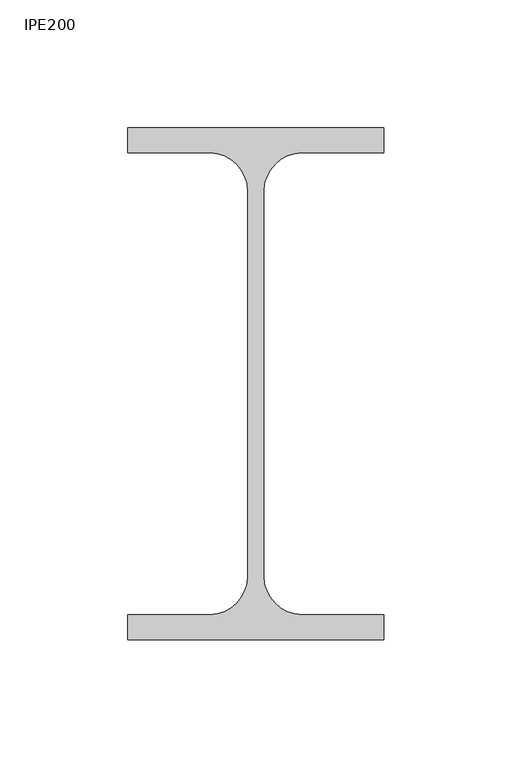
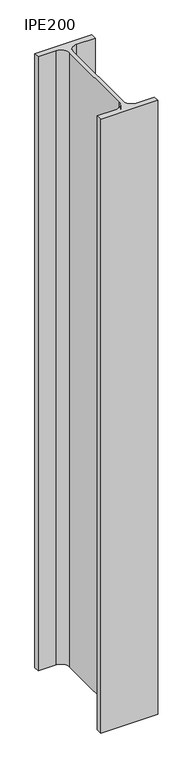
"""IFC4 building model written with IfcOpenShell, lengths in millimetres: column geometry, IPE200."""

from ifc_helpers import new_model, si_unit, point, frame, frame_2d, origin, place, context, project, spatial, polyline, circle_curve, trimmed, segment, composite_curve, outline, extrude, source, transform, mapped, element, save


def ipe200_a2dd235f(model_context):
    return source(origin(), model_context, "Body", "SweptSolid", [
        extrude(outline(composite_curve([segment(polyline([(50.0, 100.0), (50.0, 90.2), (18.1, 90.2)]), True, "CONTINUOUS"), segment(trimmed(circle_curve(frame_2d((18.1, 75.2)), 15.0), [point((18.1, 90.2))], [point((3.1, 75.2))], True, "CARTESIAN"), True, "CONTINUOUS"), segment(polyline([(3.1, 75.2), (3.1, -75.2)]), True, "CONTINUOUS"), segment(trimmed(circle_curve(frame_2d((18.1, -75.2)), 15.0), [point((3.1, -75.2))], [point((18.1, -90.2))], True, "CARTESIAN"), True, "CONTINUOUS"), segment(polyline([(18.1, -90.2), (50.0, -90.2), (50.0, -100.0), (-50.0, -100.0), (-50.0, -90.2), (-18.1, -90.2)]), True, "CONTINUOUS"), segment(trimmed(circle_curve(frame_2d((-18.1, -75.2)), 15.0), [point((-18.1, -90.2))], [point((-3.1, -75.2))], True, "CARTESIAN"), True, "CONTINUOUS"), segment(polyline([(-3.1, -75.2), (-3.1, 75.2)]), True, "CONTINUOUS"), segment(trimmed(circle_curve(frame_2d((-18.1, 75.2)), 15.0), [point((-3.1, 75.2))], [point((-18.1, 90.2))], True, "CARTESIAN"), True, "CONTINUOUS"), segment(polyline([(-18.1, 90.2), (-50.0, 90.2), (-50.0, 100.0), (50.0, 100.0)]), True, "CONTINUOUS")], self_intersect=False)), frame((0.0, 0.0, 8970.0), z_axis=(0.0, 0.0, 1.0), x_axis=(1.0, 0.0, 0.0)), (0.0, 0.0, 1.0), 1140.0),
    ])


if __name__ == "__main__":
    model = new_model("IFC4")
    model_context = context("Model", 3, world=origin())
    ifc_project = project(units=[si_unit("LENGTHUNIT", "METRE", prefix="MILLI")], contexts=[model_context])
    site = spatial("IfcSite", under=ifc_project)
    building = spatial("IfcBuilding", under=site)
    placement = place(None, origin())
    ipe200_shape = ipe200_a2dd235f(model_context)
    element("IfcColumn", 1, ObjectType="IPE200", at=placement, inside=building, context=model_context, shape_type="MappedRepresentation", body=[
        mapped(ipe200_shape, transform((0.0, 0.0, 0.0), x_axis=(1.0, 0.0, 0.0), y_axis=(0.0, 1.0, 0.0), z_axis=(0.0, 0.0, 1.0))),
    ])
    save(model, "model.ifc")
